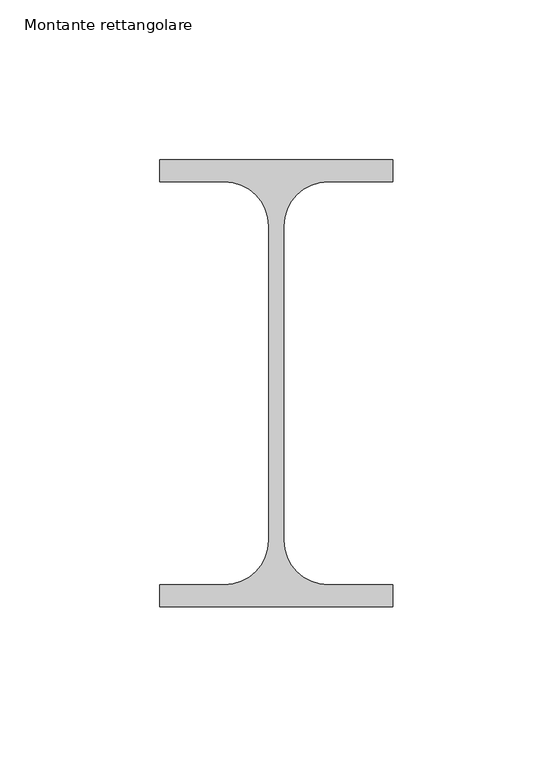
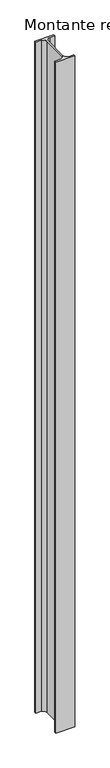
"""IFC4 building model written with IfcOpenShell, lengths in millimetres: member geometry, Montante rettangolare."""

from ifc_helpers import new_model, si_unit, point, frame, frame_2d, origin, place, context, project, spatial, polyline, circle_curve, trimmed, segment, composite_curve, outline, extrude, source, transform, mapped, element, save


def montante_rettangolare_25ae2ba6(model_context):
    return source(origin(), model_context, "Body", "SweptSolid", [
        extrude(outline(composite_curve([segment(polyline([(-73.0, 13.1), (-73.0, 20.0), (0.0, 20.0), (0.0, 13.1), (-20.25, 13.1)]), True, "CONTINUOUS"), segment(trimmed(circle_curve(frame_2d((-20.25, -0.8)), 13.9), [point((-20.25, 13.1))], [point((-34.15, -0.8))], True, "CARTESIAN"), True, "CONTINUOUS"), segment(polyline([(-34.15, -0.8), (-34.15, -99.2)]), True, "CONTINUOUS"), segment(trimmed(circle_curve(frame_2d((-20.25, -99.2)), 13.9), [point((-34.15, -99.2))], [point((-20.25, -113.1))], True, "CARTESIAN"), True, "CONTINUOUS"), segment(polyline([(-20.25, -113.1), (0.0, -113.1), (0.0, -120.0), (-73.0, -120.0), (-73.0, -113.1), (-52.75, -113.1)]), True, "CONTINUOUS"), segment(trimmed(circle_curve(frame_2d((-52.75, -99.2)), 13.9), [point((-52.75, -113.1))], [point((-38.85, -99.2))], True, "CARTESIAN"), True, "CONTINUOUS"), segment(polyline([(-38.85, -99.2), (-38.85, -0.8)]), True, "CONTINUOUS"), segment(trimmed(circle_curve(frame_2d((-52.75, -0.8)), 13.9), [point((-38.85, -0.8))], [point((-52.75, 13.1))], True, "CARTESIAN"), True, "CONTINUOUS"), segment(polyline([(-52.75, 13.1), (-73.0, 13.1)]), True, "CONTINUOUS")], self_intersect=False)), frame((0.0, 0.0, -2723.6279479), z_axis=(0.0, 0.0, 1.0), x_axis=(1.0, 0.0, 0.0)), (0.0, 0.0, 1.0), 2723.6279479),
    ])


if __name__ == "__main__":
    model = new_model("IFC4")
    model_context = context("Model", 3, world=origin())
    ifc_project = project(units=[si_unit("LENGTHUNIT", "METRE", prefix="MILLI")], contexts=[model_context])
    site = spatial("IfcSite", under=ifc_project)
    building = spatial("IfcBuilding", under=site)
    placement = place(None, origin())
    montante_rettangolare_shape = montante_rettangolare_25ae2ba6(model_context)
    element("IfcMember", 1, ObjectType="Montante rettangolare", at=placement, inside=building, context=model_context, shape_type="MappedRepresentation", body=[
        mapped(montante_rettangolare_shape, transform((0.0, 0.0, 0.0), x_axis=(1.0, 0.0, 0.0), y_axis=(0.0, 1.0, 0.0), z_axis=(0.0, 0.0, 1.0))),
    ])
    save(model, "model.ifc")
